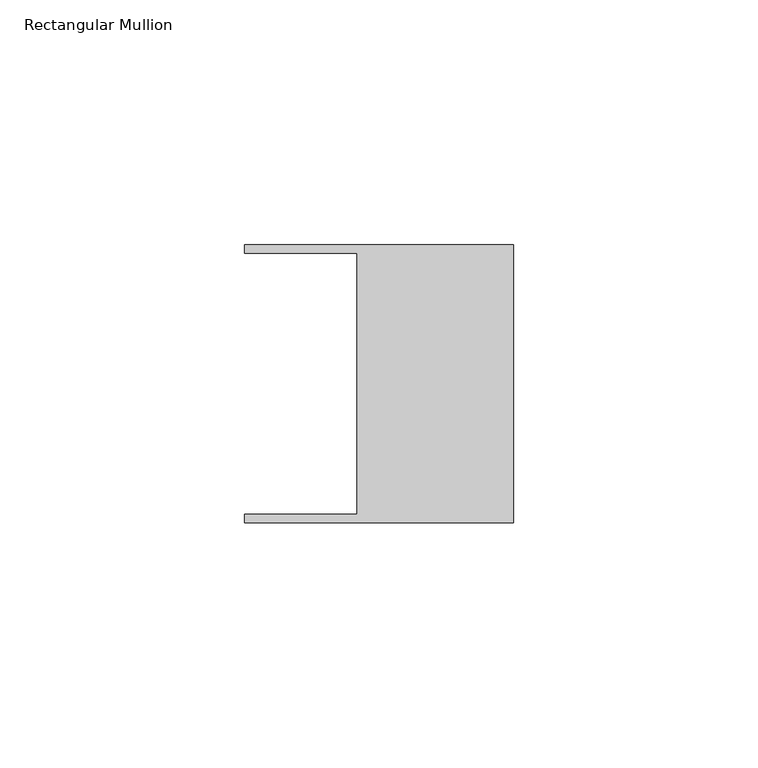
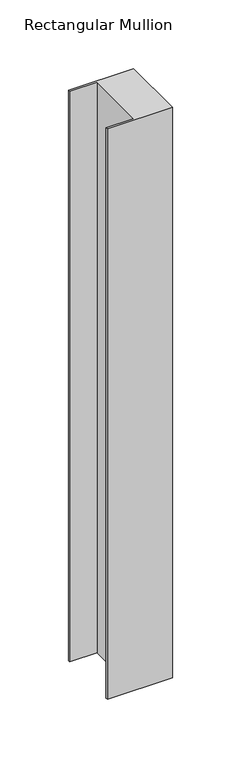
"""IFC4 building model written with IfcOpenShell, lengths in millimetres: member geometry, Rectangular Mullion."""

from ifc_helpers import new_model, si_unit, frame, origin, place, context, project, spatial, polyline, outline, extrude, source, transform, mapped, element, save


def rectangular_mullion_a39bb7ed(model_context):
    return source(origin(), model_context, "Body", "SweptSolid", [
        extrude(outline(polyline([(-32.004, -26.67), (-32.004, 26.67), (-54.991, 26.67), (-54.991, 28.448), (0.0, 28.448), (0.0, -28.448), (-54.991, -28.448), (-54.991, -26.67), (-32.004, -26.67)])), frame((0.0, 0.0, -508.0), z_axis=(0.0, 0.0, 1.0), x_axis=(1.0, 0.0, 0.0)), (0.0, 0.0, 1.0), 508.0),
    ])


if __name__ == "__main__":
    model = new_model("IFC4")
    model_context = context("Model", 3, world=origin())
    ifc_project = project(units=[si_unit("LENGTHUNIT", "METRE", prefix="MILLI")], contexts=[model_context])
    site = spatial("IfcSite", under=ifc_project)
    building = spatial("IfcBuilding", under=site)
    placement = place(None, origin())
    rectangular_mullion_shape = rectangular_mullion_a39bb7ed(model_context)
    element("IfcMember", 1, ObjectType="Rectangular Mullion", at=placement, inside=building, context=model_context, shape_type="MappedRepresentation", body=[
        mapped(rectangular_mullion_shape, transform((0.0, 0.0, 0.0), x_axis=(1.0, 0.0, 0.0), y_axis=(0.0, 1.0, 0.0), z_axis=(0.0, 0.0, 1.0))),
    ])
    save(model, "model.ifc")
